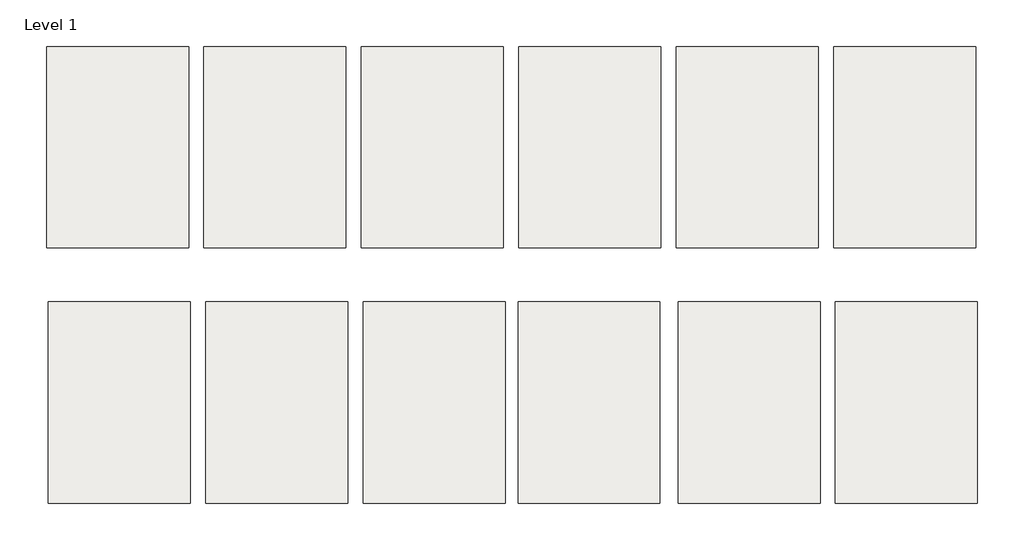
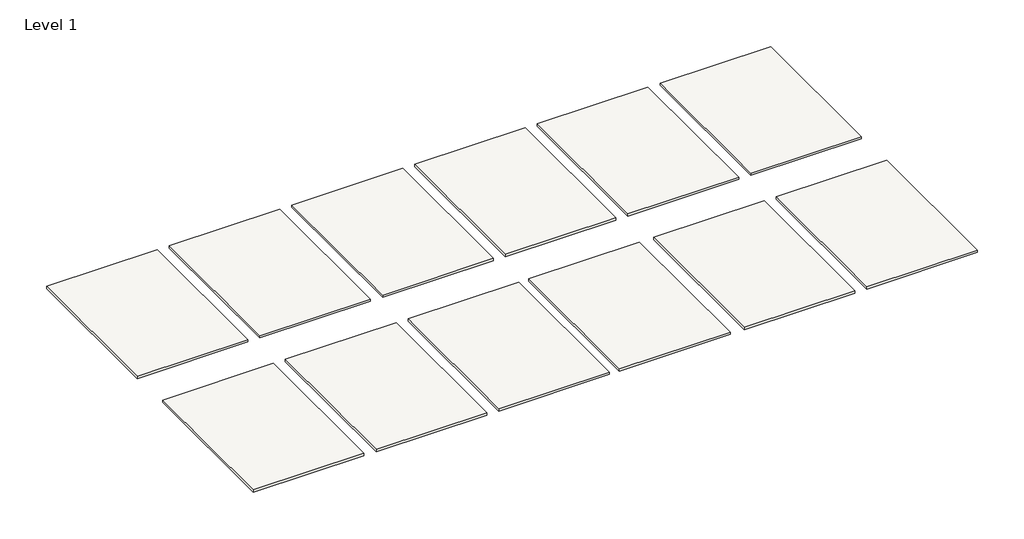
# One storey: 12 slabs.
"""IFC4 building model written with IfcOpenShell, lengths in millimetres."""

from ifc_helpers import new_model, si_unit, frame, origin, place, context, project, spatial, polyline, outline, extrude, element, save

model = new_model("IFC4")

# Units and contexts
model_context = context("Model", 3, world=origin())
ifc_project = project(units=[si_unit("LENGTHUNIT", "METRE", prefix="MILLI")], contexts=[model_context])

# Site, building, storey
site = spatial("IfcSite", under=ifc_project)
building = spatial("IfcBuilding", under=site)
storey = spatial("IfcBuildingStorey", under=building, Name="Level 1", Elevation=0.0)

# Slabs
placement = place(None, origin())
element("IfcSlab", 1, at=placement, inside=storey, context=model_context, shape_type="SweptSolid", body=[
    extrude(outline(polyline([(-13196.534711, 8668.5218851), (-13196.534711, 9163.8218851), (-12847.284711, 9163.8218851), (-12847.284711, 8668.5218851), (-13196.534711, 8668.5218851)])), frame((0.0, 0.0, -7.62), z_axis=(0.0, 0.0, 1.0), x_axis=(1.0, 0.0, 0.0)), (0.0, 0.0, 1.0), 7.62),
])
element("IfcSlab", 2, at=placement, inside=storey, context=model_context, shape_type="SweptSolid", body=[
    extrude(outline(polyline([(-12809.184711, 8668.5218851), (-12809.184711, 9163.8218851), (-12459.934711, 9163.8218851), (-12459.934711, 8668.5218851), (-12809.184711, 8668.5218851)])), frame((0.0, 0.0, -7.62), z_axis=(0.0, 0.0, 1.0), x_axis=(1.0, 0.0, 0.0)), (0.0, 0.0, 1.0), 7.62),
])
element("IfcSlab", 3, at=placement, inside=storey, context=model_context, shape_type="SweptSolid", body=[
    extrude(outline(polyline([(-12421.834711, 8668.5218851), (-12421.834711, 9163.8218851), (-12072.584711, 9163.8218851), (-12072.584711, 8668.5218851), (-12421.834711, 8668.5218851)])), frame((0.0, 0.0, -7.62), z_axis=(0.0, 0.0, 1.0), x_axis=(1.0, 0.0, 0.0)), (0.0, 0.0, 1.0), 7.62),
])
element("IfcSlab", 4, at=placement, inside=storey, context=model_context, shape_type="SweptSolid", body=[
    extrude(outline(polyline([(-12034.484711, 8668.5218851), (-12034.484711, 9163.8218851), (-11685.234711, 9163.8218851), (-11685.234711, 8668.5218851), (-12034.484711, 8668.5218851)])), frame((0.0, 0.0, -7.62), z_axis=(0.0, 0.0, 1.0), x_axis=(1.0, 0.0, 0.0)), (0.0, 0.0, 1.0), 7.62),
])
element("IfcSlab", 5, at=placement, inside=storey, context=model_context, shape_type="SweptSolid", body=[
    extrude(outline(polyline([(-11647.134711, 8668.5218851), (-11647.134711, 9163.8218851), (-11297.884711, 9163.8218851), (-11297.884711, 8668.5218851), (-11647.134711, 8668.5218851)])), frame((0.0, 0.0, -7.62), z_axis=(0.0, 0.0, 1.0), x_axis=(1.0, 0.0, 0.0)), (0.0, 0.0, 1.0), 7.62),
])
element("IfcSlab", 6, at=placement, inside=storey, context=model_context, shape_type="SweptSolid", body=[
    extrude(outline(polyline([(-13579.6815521, 8040.5993525), (-13579.6815521, 8535.8993525), (-13230.4315521, 8535.8993525), (-13230.4315521, 8040.5993525), (-13579.6815521, 8040.5993525)])), frame((0.0, 0.0, -7.62), z_axis=(0.0, 0.0, 1.0), x_axis=(1.0, 0.0, 0.0)), (0.0, 0.0, 1.0), 7.62),
])
element("IfcSlab", 7, at=placement, inside=storey, context=model_context, shape_type="SweptSolid", body=[
    extrude(outline(polyline([(-13192.3315521, 8040.5993525), (-13192.3315521, 8535.8993525), (-12843.0815521, 8535.8993525), (-12843.0815521, 8040.5993525), (-13192.3315521, 8040.5993525)])), frame((0.0, 0.0, -7.62), z_axis=(0.0, 0.0, 1.0), x_axis=(1.0, 0.0, 0.0)), (0.0, 0.0, 1.0), 7.62),
])
element("IfcSlab", 8, at=placement, inside=storey, context=model_context, shape_type="SweptSolid", body=[
    extrude(outline(polyline([(-12804.9815521, 8040.5993525), (-12804.9815521, 8535.8993525), (-12455.7315521, 8535.8993525), (-12455.7315521, 8040.5993525), (-12804.9815521, 8040.5993525)])), frame((0.0, 0.0, -7.62), z_axis=(0.0, 0.0, 1.0), x_axis=(1.0, 0.0, 0.0)), (0.0, 0.0, 1.0), 7.62),
])
element("IfcSlab", 9, at=placement, inside=storey, context=model_context, shape_type="SweptSolid", body=[
    extrude(outline(polyline([(-12423.9815521, 8040.5993525), (-12423.9815521, 8535.8993525), (-12074.7315521, 8535.8993525), (-12074.7315521, 8040.5993525), (-12423.9815521, 8040.5993525)])), frame((0.0, 0.0, -7.62), z_axis=(0.0, 0.0, 1.0), x_axis=(1.0, 0.0, 0.0)), (0.0, 0.0, 1.0), 7.62),
])
element("IfcSlab", 10, at=placement, inside=storey, context=model_context, shape_type="SweptSolid", body=[
    extrude(outline(polyline([(-12030.2815521, 8040.5993525), (-12030.2815521, 8535.8993525), (-11681.0315521, 8535.8993525), (-11681.0315521, 8040.5993525), (-12030.2815521, 8040.5993525)])), frame((0.0, 0.0, -7.62), z_axis=(0.0, 0.0, 1.0), x_axis=(1.0, 0.0, 0.0)), (0.0, 0.0, 1.0), 7.62),
])
element("IfcSlab", 11, at=placement, inside=storey, context=model_context, shape_type="SweptSolid", body=[
    extrude(outline(polyline([(-11642.9315521, 8040.5993525), (-11642.9315521, 8535.8993525), (-11293.6815521, 8535.8993525), (-11293.6815521, 8040.5993525), (-11642.9315521, 8040.5993525)])), frame((0.0, 0.0, -7.62), z_axis=(0.0, 0.0, 1.0), x_axis=(1.0, 0.0, 0.0)), (0.0, 0.0, 1.0), 7.62),
])
element("IfcSlab", 12, at=placement, inside=storey, context=model_context, shape_type="SweptSolid", body=[
    extrude(outline(polyline([(-13583.884711, 8668.5218851), (-13583.884711, 9163.8218851), (-13234.634711, 9163.8218851), (-13234.634711, 8668.5218851), (-13583.884711, 8668.5218851)])), frame((0.0, 0.0, -7.62), z_axis=(0.0, 0.0, 1.0), x_axis=(1.0, 0.0, 0.0)), (0.0, 0.0, 1.0), 7.62),
])

save(model, "model.ifc")
